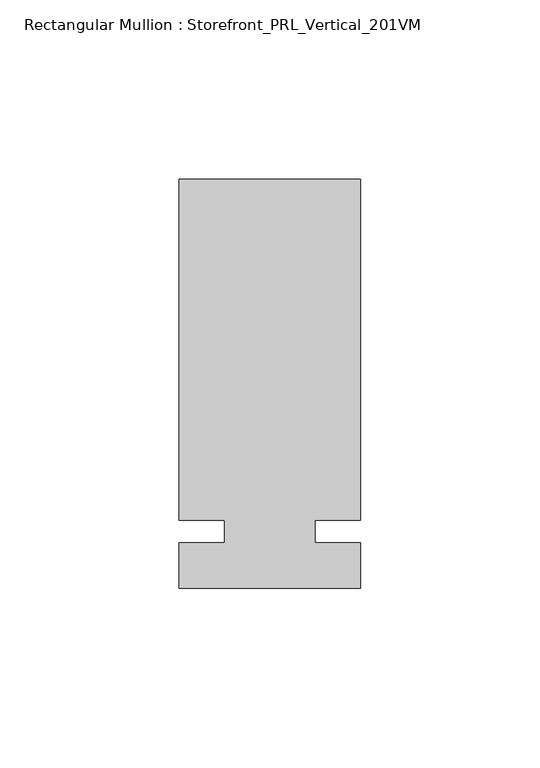
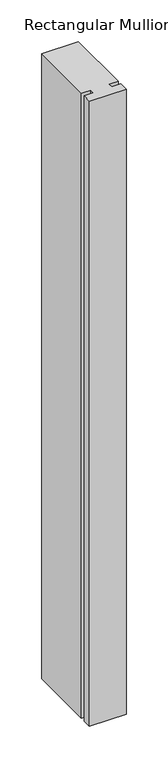
"""IFC4 building model written with IfcOpenShell, lengths in millimetres: member geometry, Rectangular Mullion : Storefront_PRL_Vertical_201VM."""

from ifc_helpers import new_model, si_unit, frame, origin, place, context, project, spatial, polyline, outline, extrude, source, transform, mapped, element, save


def rectangular_mullion_storefront_prl_vertical_201vm_fb307052(model_context):
    return source(origin(), model_context, "Body", "SweptSolid", [
        extrude(outline(polyline([(-12.7, 3.175), (-25.4, 3.175), (-25.4, 98.425), (25.4, 98.425), (25.4, 3.175), (12.7, 3.175), (12.7, -3.175), (25.4, -3.175), (25.4, -15.875), (-25.4, -15.875), (-25.4, -3.175), (-12.7, -3.175), (-12.7, 3.175)])), frame((0.0, 0.0, -914.4), z_axis=(0.0, 0.0, 1.0), x_axis=(1.0, 0.0, 0.0)), (0.0, 0.0, 1.0), 914.4),
    ])


if __name__ == "__main__":
    model = new_model("IFC4")
    model_context = context("Model", 3, world=origin())
    ifc_project = project(units=[si_unit("LENGTHUNIT", "METRE", prefix="MILLI")], contexts=[model_context])
    site = spatial("IfcSite", under=ifc_project)
    building = spatial("IfcBuilding", under=site)
    placement = place(None, origin())
    rectangular_mullion_storefront_prl_vertical_201vm_shape = rectangular_mullion_storefront_prl_vertical_201vm_fb307052(model_context)
    element("IfcMember", 1, ObjectType="Rectangular Mullion : Storefront_PRL_Vertical_201VM", at=placement, inside=building, context=model_context, shape_type="MappedRepresentation", body=[
        mapped(rectangular_mullion_storefront_prl_vertical_201vm_shape, transform((0.0, 0.0, 0.0), x_axis=(1.0, 0.0, 0.0), y_axis=(0.0, 1.0, 0.0), z_axis=(0.0, 0.0, 1.0))),
    ])
    save(model, "model.ifc")
